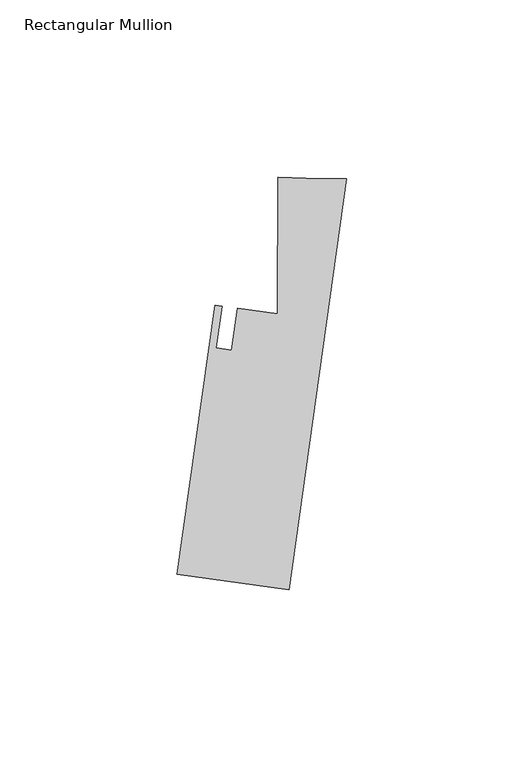
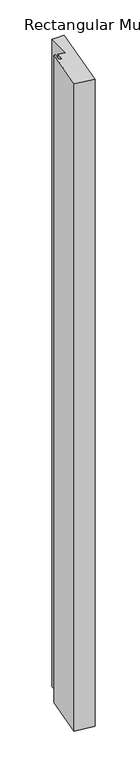
"""IFC4 building model written with IfcOpenShell, lengths in millimetres: member geometry, Rectangular Mullion."""

from ifc_helpers import new_model, si_unit, frame, origin, place, context, project, spatial, polyline, outline, extrude, source, transform, mapped, element, save


def rectangular_mullion_91865deb(model_context):
    return source(origin(), model_context, "Body", "SweptSolid", [
        extrude(outline(polyline([(-47.7197012, -111.7075847), (-37.0687359, -35.9221742), (-35.1068072, -36.1979058), (-36.7611888, -47.9694199), (-32.4349058, -48.5774405), (-30.7805233, -36.8059201), (-19.4249594, -38.4018436), (-19.3699134, 0.0328859), (-11.3980148, -0.183441), (0.0, -0.2976548), (-16.2786912, -116.126339), (-47.7197012, -111.7075847)])), frame((0.0, 0.0, -1123.95), z_axis=(0.0, 0.0, 1.0), x_axis=(1.0, 0.0, 0.0)), (0.0, 0.0, 1.0), 1123.95),
    ])


if __name__ == "__main__":
    model = new_model("IFC4")
    model_context = context("Model", 3, world=origin())
    ifc_project = project(units=[si_unit("LENGTHUNIT", "METRE", prefix="MILLI")], contexts=[model_context])
    site = spatial("IfcSite", under=ifc_project)
    building = spatial("IfcBuilding", under=site)
    placement = place(None, origin())
    rectangular_mullion_shape = rectangular_mullion_91865deb(model_context)
    element("IfcMember", 1, ObjectType="Rectangular Mullion", at=placement, inside=building, context=model_context, shape_type="MappedRepresentation", body=[
        mapped(rectangular_mullion_shape, transform((0.0, 0.0, 0.0), x_axis=(1.0, 0.0, 0.0), y_axis=(0.0, 1.0, 0.0), z_axis=(0.0, 0.0, 1.0))),
    ])
    save(model, "model.ifc")
